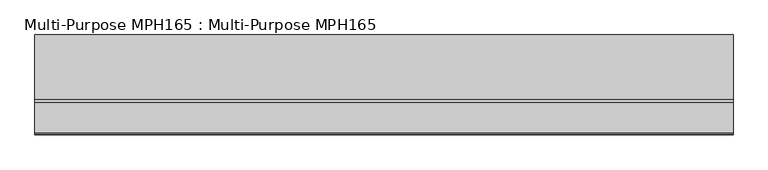
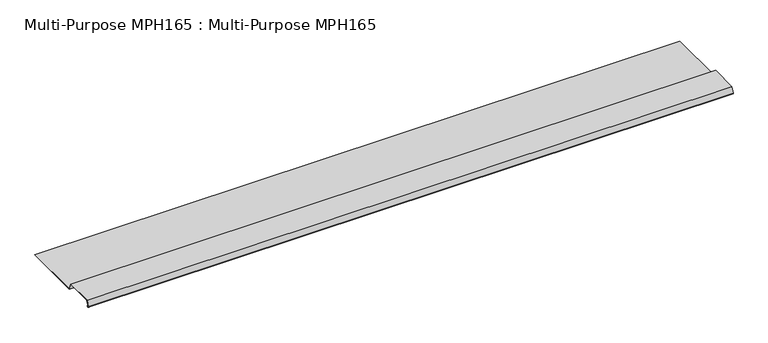
"""IFC4 building model written with IfcOpenShell, lengths in millimetres: proxy geometry, Multi-Purpose MPH165 : Multi-Purpose MPH165."""

from ifc_helpers import new_model, si_unit, point, frame, frame_2d, origin, place, context, project, spatial, polyline, circle_curve, trimmed, segment, composite_curve, outline, extrude, source, transform, mapped, element, save


def multi_purpose_mph165_multi_purpose_mph165_8ab86536(model_context):
    return source(origin(), model_context, "Body", "SweptSolid", [
        extrude(outline(composite_curve([segment(polyline([(-232.782362, -3.0077), (-233.3166766, -3.6201963), (-234.1977811, -2.8515599)]), True, "CONTINUOUS"), segment(trimmed(circle_curve(frame_2d((-235.4959986, -4.3397346)), 1.97485), [point((-234.1977811, -2.8515599))], [point((-236.5857537, -2.6927779))], True, "CARTESIAN"), True, "CONTINUOUS"), segment(polyline([(-236.5857537, -2.6927779), (-239.3889851, -4.5476148)]), True, "CONTINUOUS"), segment(trimmed(circle_curve(frame_2d((-240.7029986, -2.5617346)), 2.38125), [point((-239.3889851, -4.5476148))], [point((-242.9406416, -1.7472991))], False, "CARTESIAN"), True, "CONTINUOUS"), segment(polyline([(-242.9406416, -1.7472991), (-232.8435561, 25.9942154), (-99.4935561, 25.9942154), (-88.2333361, -4.9429846), (193.7957514, -4.9429846), (193.7957514, -5.7557846), (-88.8024648, -5.7557846), (-100.0626848, 25.1814154), (-232.2744274, 25.1814154), (-242.1768595, -2.0252931)]), True, "CONTINUOUS"), segment(trimmed(circle_curve(frame_2d((-240.7029986, -2.5617346)), 1.56845), [point((-242.1768595, -2.0252931))], [point((-239.8375017, -3.8697677))], True, "CARTESIAN"), True, "CONTINUOUS"), segment(polyline([(-239.8375017, -3.8697677), (-237.0342703, -2.0149308)]), True, "CONTINUOUS"), segment(trimmed(circle_curve(frame_2d((-235.4959986, -4.3397346)), 2.78765), [point((-237.0342703, -2.0149308))], [point((-233.6634665, -2.2390636))], False, "CARTESIAN"), True, "CONTINUOUS"), segment(polyline([(-233.6634665, -2.2390636), (-232.782362, -3.0077)]), True, "CONTINUOUS")], self_intersect=False)), frame((-1102.2989423, 0.0, 0.0), z_axis=(1.0, 0.0, 0.0), x_axis=(0.0, 1.0, 0.0)), (0.0, 0.0, 1.0), 3048.0),
    ])


if __name__ == "__main__":
    model = new_model("IFC4")
    model_context = context("Model", 3, world=origin())
    ifc_project = project(units=[si_unit("LENGTHUNIT", "METRE", prefix="MILLI")], contexts=[model_context])
    site = spatial("IfcSite", under=ifc_project)
    building = spatial("IfcBuilding", under=site)
    placement = place(None, origin())
    multi_purpose_mph165_multi_purpose_mph165_shape = multi_purpose_mph165_multi_purpose_mph165_8ab86536(model_context)
    element("IfcBuildingElementProxy", 1, Name="Multi-Purpose MPH165 : Multi-Purpose MPH165", ObjectType="Multi-Purpose MPH165 : Multi-Purpose MPH165", at=placement, inside=building, context=model_context, shape_type="MappedRepresentation", body=[
        mapped(multi_purpose_mph165_multi_purpose_mph165_shape, transform((0.0, 0.0, 0.0), x_axis=(1.0, 0.0, 0.0), y_axis=(0.0, 1.0, 0.0), z_axis=(0.0, 0.0, 1.0))),
    ])
    save(model, "model.ifc")
